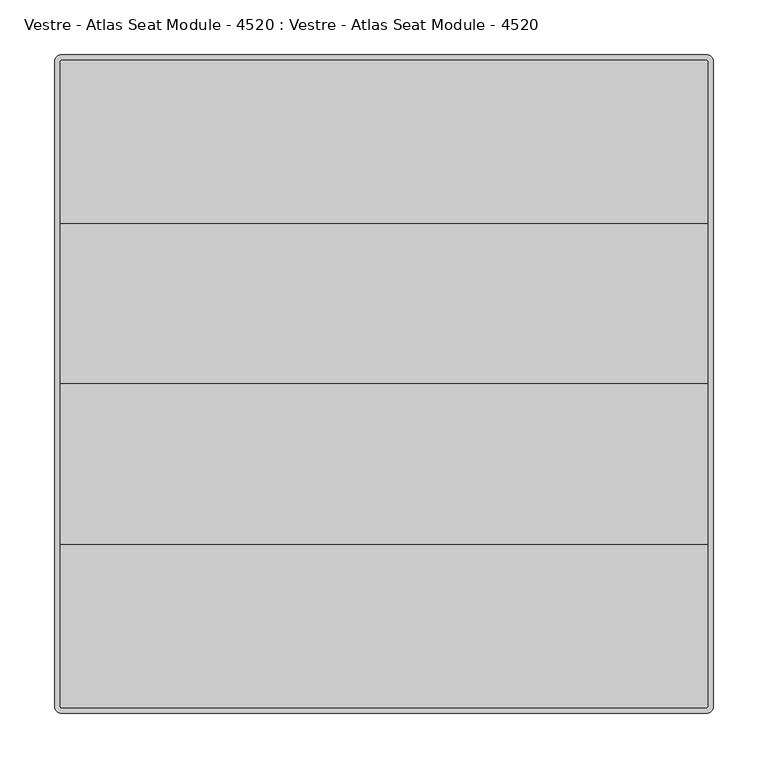
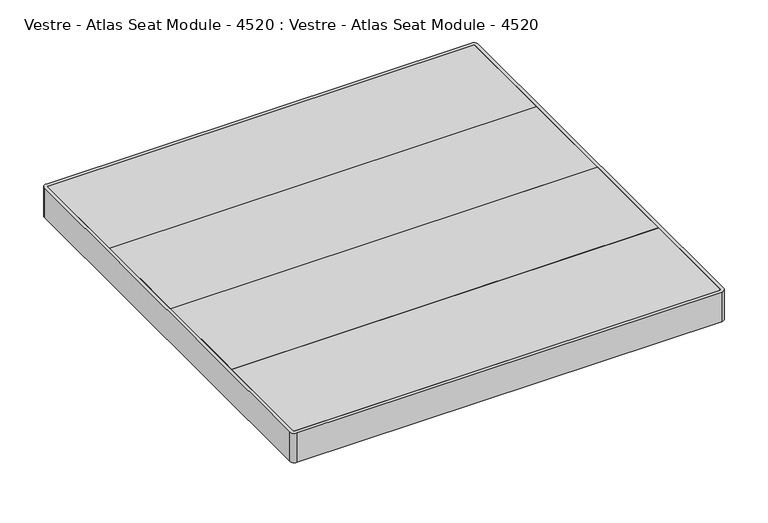
"""IFC4 building model written with IfcOpenShell, lengths in millimetres: furniture geometry, Vestre - Atlas Seat Module - 4520 : Vestre - Atlas Seat Module - 4520."""

from ifc_helpers import new_model, si_unit, point, frame, frame_2d, origin, origin_with_axes, place, context, project, spatial, polyline, circle_curve, trimmed, segment, composite_curve, outline, extrude, source, transform, mapped, element, save


def vestre_atlas_seat_module_4520_vestre_atlas_seat_module_4520_0c5c8574(model_context):
    return source(origin(), model_context, "Body", "SweptSolid", [
        extrude(outline(polyline([(295.0000168, -146.0000273), (-295.0000168, -146.0000273), (-295.0000168, 0.0), (295.0000168, 0.0), (295.0000168, -146.0000273)])), frame((0.0, 0.0, 39.8500022), z_axis=(0.0, 0.0, 1.0), x_axis=(1.0, 0.0, 0.0)), (0.0, 0.0, 1.0), 27.9999988),
        extrude(outline(polyline([(295.0000168, 146.0000273), (295.0000168, 0.0), (-295.0000168, 0.0), (-295.0000168, 146.0000273), (295.0000168, 146.0000273)])), frame((0.0, 0.0, 39.8500022), z_axis=(0.0, 0.0, 1.0), x_axis=(1.0, 0.0, 0.0)), (0.0, 0.0, 1.0), 27.9999988),
        extrude(outline(composite_curve([segment(polyline([(-294.009246, 294.9999441), (294.0105528, 294.9999441)]), True, "CONTINUOUS"), segment(trimmed(circle_curve(frame_2d((294.0105528, 294.0104801)), 0.989464), [point((294.0105528, 294.9999441))], [point((295.0000168, 294.0104801))], False, "CARTESIAN"), True, "CONTINUOUS"), segment(polyline([(295.0000168, 294.0104801), (295.0000168, 146.0000273), (-295.0000168, 146.0000273), (-295.0000168, 294.0091733)]), True, "CONTINUOUS"), segment(trimmed(circle_curve(frame_2d((-294.009246, 294.0091733)), 0.9907708), [point((-295.0000168, 294.0091733))], [point((-294.009246, 294.9999441))], False, "CARTESIAN"), True, "CONTINUOUS")], self_intersect=False)), frame((0.0, 0.0, 39.8500022), z_axis=(0.0, 0.0, 1.0), x_axis=(1.0, 0.0, 0.0)), (0.0, 0.0, 1.0), 27.9999988),
        extrude(outline(composite_curve([segment(trimmed(circle_curve(frame_2d((-294.0358013, -294.035874)), 0.9642155), [point((-294.0358013, -295.0000895))], [point((-295.0000168, -294.035874))], False, "CARTESIAN"), True, "CONTINUOUS"), segment(polyline([(-295.0000168, -294.035874), (-295.0000168, -146.0000273), (295.0000168, -146.0000273), (295.0000168, -294.0016577)]), True, "CONTINUOUS"), segment(trimmed(circle_curve(frame_2d((294.0015851, -294.0016577)), 0.9984317), [point((295.0000168, -294.0016577))], [point((294.0015851, -295.0000895))], False, "CARTESIAN"), True, "CONTINUOUS"), segment(polyline([(294.0015851, -295.0000895), (-294.0358013, -295.0000895)]), True, "CONTINUOUS")], self_intersect=False)), frame((0.0, 0.0, 39.8500022), z_axis=(0.0, 0.0, 1.0), x_axis=(1.0, 0.0, 0.0)), (0.0, 0.0, 1.0), 27.9999988),
        extrude(outline(polyline([(34.9996078, 34.9999712), (34.9996078, -34.9999712), (-34.9996078, -34.9999712), (-34.9996078, 34.9999712), (34.9996078, 34.9999712)])), origin_with_axes(), (0.0, 0.0, 1.0), 39.8500022),
        extrude(outline(composite_curve([segment(polyline([(-299.9997116, -294.0369399), (-299.9997116, 294.000075)]), True, "CONTINUOUS"), segment(trimmed(circle_curve(frame_2d((-293.9997116, 294.000075)), 6.0), [point((-299.9997116, 294.000075))], [point((-293.9997116, 300.000075))], False, "CARTESIAN"), True, "CONTINUOUS"), segment(polyline([(-293.9997116, 300.000075), (293.9997116, 300.000075)]), True, "CONTINUOUS"), segment(trimmed(circle_curve(frame_2d((293.9997116, 294.000075)), 6.0), [point((293.9997116, 300.000075))], [point((299.9997116, 294.000075))], False, "CARTESIAN"), True, "CONTINUOUS"), segment(polyline([(299.9997116, 294.000075), (299.9997116, -294.000075)]), True, "CONTINUOUS"), segment(trimmed(circle_curve(frame_2d((293.9997116, -294.000075)), 6.0), [point((299.9997116, -294.000075))], [point((293.9997116, -300.000075))], False, "CARTESIAN"), True, "CONTINUOUS"), segment(polyline([(293.9997116, -300.000075), (-294.0365765, -300.000075)]), True, "CONTINUOUS"), segment(trimmed(circle_curve(frame_2d((-294.0365765, -294.0369399)), 5.9631351), [point((-294.0365765, -300.000075))], [point((-299.9997116, -294.0369399))], False, "CARTESIAN"), True, "CONTINUOUS")], self_intersect=False), holes=[composite_curve([segment(trimmed(circle_curve(frame_2d((-294.0358013, -294.035874)), 0.9642155), [point((-295.0000168, -294.035874))], [point((-294.0358013, -295.0000895))], True, "CARTESIAN"), True, "CONTINUOUS"), segment(polyline([(-294.0358013, -295.0000895), (294.0015851, -295.0000895)]), True, "CONTINUOUS"), segment(trimmed(circle_curve(frame_2d((294.0015851, -294.0016577)), 0.9984317), [point((294.0015851, -295.0000895))], [point((295.0000168, -294.0016577))], True, "CARTESIAN"), True, "CONTINUOUS"), segment(polyline([(295.0000168, -294.0016577), (295.0000168, 294.0104801)]), True, "CONTINUOUS"), segment(trimmed(circle_curve(frame_2d((294.0105528, 294.0104801)), 0.989464), [point((295.0000168, 294.0104801))], [point((294.0105528, 294.9999441))], True, "CARTESIAN"), True, "CONTINUOUS"), segment(polyline([(294.0105528, 294.9999441), (-294.009246, 294.9999441)]), True, "CONTINUOUS"), segment(trimmed(circle_curve(frame_2d((-294.009246, 294.0091733)), 0.9907708), [point((-294.009246, 294.9999441))], [point((-295.0000168, 294.0091733))], True, "CARTESIAN"), True, "CONTINUOUS"), segment(polyline([(-295.0000168, 294.0091733), (-295.0000168, -294.035874)]), True, "CONTINUOUS")], self_intersect=False)]), frame((0.0, 0.0, 24.8500093), z_axis=(0.0, 0.0, 1.0), x_axis=(1.0, 0.0, 0.0)), (0.0, 0.0, 1.0), 42.9999916),
    ])


if __name__ == "__main__":
    model = new_model("IFC4")
    model_context = context("Model", 3, world=origin())
    ifc_project = project(units=[si_unit("LENGTHUNIT", "METRE", prefix="MILLI")], contexts=[model_context])
    site = spatial("IfcSite", under=ifc_project)
    building = spatial("IfcBuilding", under=site)
    placement = place(None, origin())
    vestre_atlas_seat_module_4520_vestre_atlas_seat_module_4520_shape = vestre_atlas_seat_module_4520_vestre_atlas_seat_module_4520_0c5c8574(model_context)
    element("IfcFurniture", 1, ObjectType="Vestre - Atlas Seat Module - 4520 : Vestre - Atlas Seat Module - 4520", at=placement, inside=building, context=model_context, shape_type="MappedRepresentation", body=[
        mapped(vestre_atlas_seat_module_4520_vestre_atlas_seat_module_4520_shape, transform((0.0, 0.0, 0.0), x_axis=(1.0, 0.0, 0.0), y_axis=(0.0, 1.0, 0.0), z_axis=(0.0, 0.0, 1.0))),
    ])
    save(model, "model.ifc")
